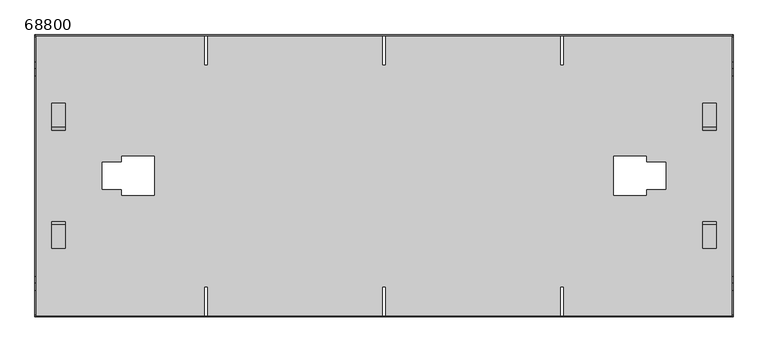
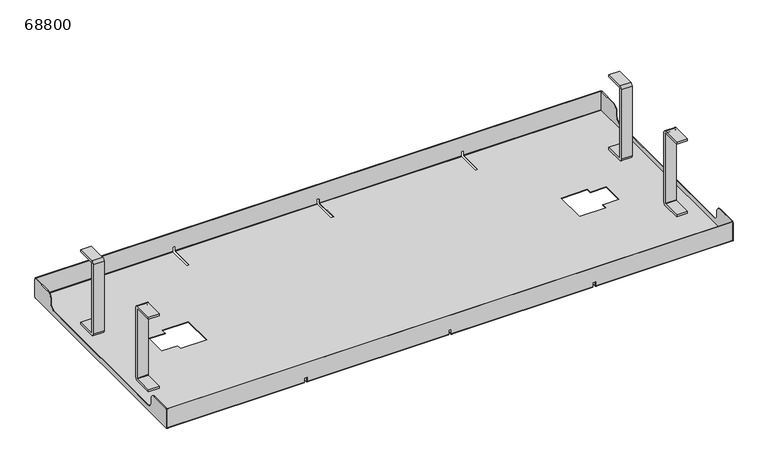
"""IFC4 building model written with IfcOpenShell, lengths in millimetres: furniture geometry, 68800."""

from ifc_helpers import new_model, si_unit, point, frame, frame_2d, origin, place, context, project, spatial, polyline, circle_curve, trimmed, segment, composite_curve, outline, extrude, source, transform, mapped, element, save
from ifc_brep_helpers import plane_surface, cylinder_surface, revolved_surface, advanced_brep


def furniture_68800_a6e082b3(model_context):
    return source(origin(), model_context, "Body", "SolidModel", [
        extrude(outline(composite_curve([segment(polyline([(73.0, 146.0), (108.0, 146.0), (108.0, 142.0), (73.0, 142.0)]), True, "CONTINUOUS"), segment(trimmed(circle_curve(frame_2d((73.0, 141.0)), 1.0), [point((73.0, 142.0))], [point((72.0, 141.0))], True, "CARTESIAN"), True, "CONTINUOUS"), segment(polyline([(72.0, 141.0), (72.0, 6.0)]), True, "CONTINUOUS"), segment(trimmed(circle_curve(frame_2d((73.0, 6.0)), 1.0), [point((72.0, 6.0))], [point((73.0, 5.0))], True, "CARTESIAN"), True, "CONTINUOUS"), segment(polyline([(73.0, 5.0), (108.0, 5.0), (108.0, 1.0), (73.0, 1.0)]), True, "CONTINUOUS"), segment(trimmed(circle_curve(frame_2d((73.0, 6.0)), 5.0), [point((73.0, 1.0))], [point((68.0, 6.0))], False, "CARTESIAN"), True, "CONTINUOUS"), segment(polyline([(68.0, 6.0), (68.0, 141.0)]), True, "CONTINUOUS"), segment(trimmed(circle_curve(frame_2d((73.0, 141.0)), 5.0), [point((68.0, 141.0))], [point((73.0, 146.0))], False, "CARTESIAN"), True, "CONTINUOUS")], self_intersect=False)), frame((995.0, 0.0, 0.0), z_axis=(1.0, 0.0, 0.0), x_axis=(0.0, 1.0, 0.0)), (0.0, 0.0, 1.0), 20.0),
        extrude(outline(composite_curve([segment(polyline([(73.0, 146.0), (108.0, 146.0), (108.0, 142.0), (73.0, 142.0)]), True, "CONTINUOUS"), segment(trimmed(circle_curve(frame_2d((73.0, 141.0)), 1.0), [point((73.0, 142.0))], [point((72.0, 141.0))], True, "CARTESIAN"), True, "CONTINUOUS"), segment(polyline([(72.0, 141.0), (72.0, 6.0)]), True, "CONTINUOUS"), segment(trimmed(circle_curve(frame_2d((73.0, 6.0)), 1.0), [point((72.0, 6.0))], [point((73.0, 5.0))], True, "CARTESIAN"), True, "CONTINUOUS"), segment(polyline([(73.0, 5.0), (108.0, 5.0), (108.0, 1.0), (73.0, 1.0)]), True, "CONTINUOUS"), segment(trimmed(circle_curve(frame_2d((73.0, 6.0)), 5.0), [point((73.0, 1.0))], [point((68.0, 6.0))], False, "CARTESIAN"), True, "CONTINUOUS"), segment(polyline([(68.0, 6.0), (68.0, 141.0)]), True, "CONTINUOUS"), segment(trimmed(circle_curve(frame_2d((73.0, 141.0)), 5.0), [point((68.0, 141.0))], [point((73.0, 146.0))], False, "CARTESIAN"), True, "CONTINUOUS")], self_intersect=False)), frame((25.0, 0.0, 0.0), z_axis=(1.0, 0.0, 0.0), x_axis=(0.0, 1.0, 0.0)), (0.0, 0.0, 1.0), 20.0),
        extrude(outline(composite_curve([segment(trimmed(circle_curve(frame_2d((-73.0, 141.0)), 5.0), [point((-73.0, 146.0))], [point((-68.0, 141.0))], False, "CARTESIAN"), True, "CONTINUOUS"), segment(polyline([(-68.0, 141.0), (-68.0, 6.0)]), True, "CONTINUOUS"), segment(trimmed(circle_curve(frame_2d((-73.0, 6.0)), 5.0), [point((-68.0, 6.0))], [point((-73.0, 1.0))], False, "CARTESIAN"), True, "CONTINUOUS"), segment(polyline([(-73.0, 1.0), (-108.0, 1.0), (-108.0, 5.0), (-73.0, 5.0)]), True, "CONTINUOUS"), segment(trimmed(circle_curve(frame_2d((-73.0, 6.0)), 1.0), [point((-73.0, 5.0))], [point((-72.0, 6.0))], True, "CARTESIAN"), True, "CONTINUOUS"), segment(polyline([(-72.0, 6.0), (-72.0, 141.0)]), True, "CONTINUOUS"), segment(trimmed(circle_curve(frame_2d((-73.0, 141.0)), 1.0), [point((-72.0, 141.0))], [point((-73.0, 142.0))], True, "CARTESIAN"), True, "CONTINUOUS"), segment(polyline([(-73.0, 142.0), (-108.0, 142.0), (-108.0, 146.0), (-73.0, 146.0)]), True, "CONTINUOUS")], self_intersect=False)), frame((995.0, 0.0, 0.0), z_axis=(1.0, 0.0, 0.0), x_axis=(0.0, 1.0, 0.0)), (0.0, 0.0, 1.0), 20.0),
        extrude(outline(composite_curve([segment(trimmed(circle_curve(frame_2d((-73.0, 141.0)), 5.0), [point((-73.0, 146.0))], [point((-68.0, 141.0))], False, "CARTESIAN"), True, "CONTINUOUS"), segment(polyline([(-68.0, 141.0), (-68.0, 6.0)]), True, "CONTINUOUS"), segment(trimmed(circle_curve(frame_2d((-73.0, 6.0)), 5.0), [point((-68.0, 6.0))], [point((-73.0, 1.0))], False, "CARTESIAN"), True, "CONTINUOUS"), segment(polyline([(-73.0, 1.0), (-108.0, 1.0), (-108.0, 5.0), (-73.0, 5.0)]), True, "CONTINUOUS"), segment(trimmed(circle_curve(frame_2d((-73.0, 6.0)), 1.0), [point((-73.0, 5.0))], [point((-72.0, 6.0))], True, "CARTESIAN"), True, "CONTINUOUS"), segment(polyline([(-72.0, 6.0), (-72.0, 141.0)]), True, "CONTINUOUS"), segment(trimmed(circle_curve(frame_2d((-73.0, 141.0)), 1.0), [point((-72.0, 141.0))], [point((-73.0, 142.0))], True, "CARTESIAN"), True, "CONTINUOUS"), segment(polyline([(-73.0, 142.0), (-108.0, 142.0), (-108.0, 146.0), (-73.0, 146.0)]), True, "CONTINUOUS")], self_intersect=False)), frame((25.0, 0.0, 0.0), z_axis=(1.0, 0.0, 0.0), x_axis=(0.0, 1.0, 0.0)), (0.0, 0.0, 1.0), 20.0),
        advanced_brep(
        [(1039.0, -210.0, 2.0), (1039.0, -208.0, 0.0), (1039.0, 208.0, 0.0), (1039.0, 210.0, 2.0), (1039.0, 210.0, 38.0), (1039.0, 209.0, 38.0), (1039.0, 209.0, 2.0), (1039.0, 208.0, 1.0), (1039.0, -208.0, 1.0), (1039.0, -209.0, 2.0), (1039.0, -209.0, 38.0), (1039.0, -210.0, 38.0), (1.0, -210.0, 2.0), (1.0, -210.0, 38.0), (1.0, -209.0, 38.0), (1.0, -209.0, 2.0), (1.0, -208.0, 1.0), (1.0, 208.0, 1.0), (1.0, 209.0, 2.0), (1.0, 209.0, 38.0), (1.0, 210.0, 38.0), (1.0, 210.0, 2.0), (1.0, 208.0, 0.0), (1.0, -208.0, 0.0), (787.5, -208.0, 0.0), (787.5, -165.0, 0.0), (782.5, -165.0, 0.0), (782.5, -208.0, 0.0), (522.5, -208.0, 0.0), (522.5, -165.0, 0.0), (517.5, -165.0, 0.0), (517.5, -208.0, 0.0), (257.5, -208.0, 0.0), (257.5, -165.0, 0.0), (252.5, -165.0, 0.0), (252.5, -208.0, 0.0), (252.5, 208.0, 0.0), (252.5, 165.0, 0.0), (257.5, 165.0, 0.0), (257.5, 208.0, 0.0), (517.5, 208.0, 0.0), (517.5, 165.0, 0.0), (522.5, 165.0, 0.0), (522.5, 208.0, 0.0), (782.5, 208.0, 0.0), (782.5, 165.0, 0.0), (787.5, 165.0, 0.0), (787.5, 208.0, 0.0), (129.5, 20.0, 0.0), (100.0, 20.0, 0.0), (100.0, -20.0, 0.0), (129.5, -20.0, 0.0), (129.5, -29.0, 0.0), (177.5, -29.0, 0.0), (177.5, 29.0, 0.0), (129.5, 29.0, 0.0), (910.5, -20.0, 0.0), (940.0, -20.0, 0.0), (940.0, 20.0, 0.0), (910.5, 20.0, 0.0), (910.5, 29.0, 0.0), (862.5, 29.0, 0.0), (862.5, -29.0, 0.0), (910.5, -29.0, 0.0), (787.5, 210.0, 2.0), (787.5, 210.0, 10.0), (782.5, 210.0, 10.0), (782.5, 210.0, 2.0), (522.5, 210.0, 2.0), (522.5, 210.0, 10.0), (517.5, 210.0, 10.0), (517.5, 210.0, 2.0), (257.5, 210.0, 2.0), (257.5, 210.0, 10.0), (252.5, 210.0, 10.0), (252.5, 210.0, 2.0), (252.5, 209.0, 2.0), (252.5, 209.0, 10.0), (257.5, 209.0, 10.0), (257.5, 209.0, 2.0), (517.5, 209.0, 2.0), (517.5, 209.0, 10.0), (522.5, 209.0, 10.0), (522.5, 209.0, 2.0), (782.5, 209.0, 2.0), (782.5, 209.0, 10.0), (787.5, 209.0, 10.0), (787.5, 209.0, 2.0), (787.5, 208.0, 1.0), (787.5, 165.0, 1.0), (782.5, 165.0, 1.0), (782.5, 208.0, 1.0), (522.5, 208.0, 1.0), (522.5, 165.0, 1.0), (517.5, 165.0, 1.0), (517.5, 208.0, 1.0), (257.5, 208.0, 1.0), (257.5, 165.0, 1.0), (252.5, 165.0, 1.0), (252.5, 208.0, 1.0), (252.5, -208.0, 1.0), (252.5, -165.0, 1.0), (257.5, -165.0, 1.0), (257.5, -208.0, 1.0), (517.5, -208.0, 1.0), (517.5, -165.0, 1.0), (522.5, -165.0, 1.0), (522.5, -208.0, 1.0), (782.5, -208.0, 1.0), (782.5, -165.0, 1.0), (787.5, -165.0, 1.0), (787.5, -208.0, 1.0), (100.0, 20.0, 1.0), (129.5, 20.0, 1.0), (129.5, 29.0, 1.0), (177.5, 29.0, 1.0), (177.5, -29.0, 1.0), (129.5, -29.0, 1.0), (129.5, -20.0, 1.0), (100.0, -20.0, 1.0), (940.0, -20.0, 1.0), (910.5, -20.0, 1.0), (910.5, -29.0, 1.0), (862.5, -29.0, 1.0), (862.5, 29.0, 1.0), (910.5, 29.0, 1.0), (910.5, 20.0, 1.0), (940.0, 20.0, 1.0), (787.5, -209.0, 2.0), (787.5, -209.0, 10.0), (782.5, -209.0, 10.0), (782.5, -209.0, 2.0), (522.5, -209.0, 2.0), (522.5, -209.0, 10.0), (517.5, -209.0, 10.0), (517.5, -209.0, 2.0), (257.5, -209.0, 2.0), (257.5, -209.0, 10.0), (252.5, -209.0, 10.0), (252.5, -209.0, 2.0), (252.5, -210.0, 2.0), (252.5, -210.0, 10.0), (257.5, -210.0, 10.0), (257.5, -210.0, 2.0), (517.5, -210.0, 2.0), (517.5, -210.0, 10.0), (522.5, -210.0, 10.0), (522.5, -210.0, 2.0), (782.5, -210.0, 2.0), (782.5, -210.0, 10.0), (787.5, -210.0, 10.0), (787.5, -210.0, 2.0)],
        [
            (0, 1, circle_curve(frame((1039.0, -208.0, 2.0), z_axis=(1.0, 0.0, 0.0), x_axis=(0.0, 1.0, 0.0)), 2.0)),
            (1, 2),
            (2, 3, circle_curve(frame((1039.0, 208.0, 2.0), z_axis=(1.0, 0.0, 0.0), x_axis=(0.0, 1.0, 0.0)), 2.0)),
            (3, 4),
            (4, 5),
            (5, 6),
            (6, 7, circle_curve(frame((1039.0, 208.0, 2.0), z_axis=(-1.0, 0.0, 0.0), x_axis=(0.0, 1.0, 0.0)), 1.0)),
            (7, 8),
            (8, 9, circle_curve(frame((1039.0, -208.0, 2.0), z_axis=(-1.0, 0.0, 0.0), x_axis=(0.0, 1.0, 0.0)), 1.0)),
            (9, 10),
            (10, 11),
            (11, 0),
            (12, 13),
            (13, 14),
            (14, 15),
            (15, 16, circle_curve(frame((1.0, -208.0, 2.0), z_axis=(1.0, 0.0, 0.0), x_axis=(0.0, 1.0, 0.0)), 1.0)),
            (16, 17),
            (17, 18, circle_curve(frame((1.0, 208.0, 2.0), z_axis=(1.0, 0.0, 0.0), x_axis=(0.0, 1.0, 0.0)), 1.0)),
            (18, 19),
            (19, 20),
            (20, 21),
            (21, 22, circle_curve(frame((1.0, 208.0, 2.0), z_axis=(-1.0, 0.0, 0.0), x_axis=(0.0, 1.0, 0.0)), 2.0)),
            (22, 23),
            (23, 12, circle_curve(frame((1.0, -208.0, 2.0), z_axis=(-1.0, 0.0, 0.0), x_axis=(0.0, 1.0, 0.0)), 2.0)),
            (1, 24),
            (24, 25),
            (25, 26),
            (26, 27),
            (27, 28),
            (28, 29),
            (29, 30),
            (30, 31),
            (31, 32),
            (32, 33),
            (33, 34),
            (34, 35),
            (35, 23),
            (22, 36),
            (36, 37),
            (37, 38),
            (38, 39),
            (39, 40),
            (40, 41),
            (41, 42),
            (42, 43),
            (43, 44),
            (44, 45),
            (45, 46),
            (46, 47),
            (47, 2),
            (48, 49),
            (49, 50),
            (50, 51),
            (51, 52),
            (52, 53),
            (53, 54),
            (54, 55),
            (55, 48),
            (56, 57),
            (57, 58),
            (58, 59),
            (59, 60),
            (60, 61),
            (61, 62),
            (62, 63),
            (63, 56),
            (3, 64),
            (64, 65),
            (65, 66),
            (66, 67),
            (67, 68),
            (68, 69),
            (69, 70),
            (70, 71),
            (71, 72),
            (72, 73),
            (73, 74),
            (74, 75),
            (75, 21),
            (20, 4),
            (19, 5),
            (18, 76),
            (76, 77),
            (77, 78),
            (78, 79),
            (79, 80),
            (80, 81),
            (81, 82),
            (82, 83),
            (83, 84),
            (84, 85),
            (85, 86),
            (86, 87),
            (87, 6),
            (7, 88),
            (88, 89),
            (89, 90),
            (90, 91),
            (91, 92),
            (92, 93),
            (93, 94),
            (94, 95),
            (95, 96),
            (96, 97),
            (97, 98),
            (98, 99),
            (99, 17),
            (16, 100),
            (100, 101),
            (101, 102),
            (102, 103),
            (103, 104),
            (104, 105),
            (105, 106),
            (106, 107),
            (107, 108),
            (108, 109),
            (109, 110),
            (110, 111),
            (111, 8),
            (112, 113),
            (113, 114),
            (114, 115),
            (115, 116),
            (116, 117),
            (117, 118),
            (118, 119),
            (119, 112),
            (120, 121),
            (121, 122),
            (122, 123),
            (123, 124),
            (124, 125),
            (125, 126),
            (126, 127),
            (127, 120),
            (9, 128),
            (128, 129),
            (129, 130),
            (130, 131),
            (131, 132),
            (132, 133),
            (133, 134),
            (134, 135),
            (135, 136),
            (136, 137),
            (137, 138),
            (138, 139),
            (139, 15),
            (14, 10),
            (13, 11),
            (12, 140),
            (140, 141),
            (141, 142),
            (142, 143),
            (143, 144),
            (144, 145),
            (145, 146),
            (146, 147),
            (147, 148),
            (148, 149),
            (149, 150),
            (150, 151),
            (151, 0),
            (151, 24, circle_curve(frame((787.5, -208.0, 2.0), z_axis=(1.0, 0.0, 0.0), x_axis=(0.0, 1.0, 0.0)), 2.0)),
            (35, 140, circle_curve(frame((252.5, -208.0, 2.0), z_axis=(-1.0, 0.0, 0.0), x_axis=(0.0, 1.0, 0.0)), 2.0)),
            (143, 32, circle_curve(frame((257.5, -208.0, 2.0), z_axis=(1.0, 0.0, 0.0), x_axis=(0.0, 1.0, 0.0)), 2.0)),
            (31, 144, circle_curve(frame((517.5, -208.0, 2.0), z_axis=(-1.0, 0.0, 0.0), x_axis=(0.0, 1.0, 0.0)), 2.0)),
            (27, 148, circle_curve(frame((782.5, -208.0, 2.0), z_axis=(-1.0, 0.0, 0.0), x_axis=(0.0, 1.0, 0.0)), 2.0)),
            (147, 28, circle_curve(frame((522.5, -208.0, 2.0), z_axis=(1.0, 0.0, 0.0), x_axis=(0.0, 1.0, 0.0)), 2.0)),
            (47, 64, circle_curve(frame((787.5, 208.0, 2.0), z_axis=(1.0, 0.0, 0.0), x_axis=(0.0, 1.0, 0.0)), 2.0)),
            (75, 36, circle_curve(frame((252.5, 208.0, 2.0), z_axis=(-1.0, 0.0, 0.0), x_axis=(0.0, 1.0, 0.0)), 2.0)),
            (39, 72, circle_curve(frame((257.5, 208.0, 2.0), z_axis=(1.0, 0.0, 0.0), x_axis=(0.0, 1.0, 0.0)), 2.0)),
            (71, 40, circle_curve(frame((517.5, 208.0, 2.0), z_axis=(-1.0, 0.0, 0.0), x_axis=(0.0, 1.0, 0.0)), 2.0)),
            (67, 44, circle_curve(frame((782.5, 208.0, 2.0), z_axis=(-1.0, 0.0, 0.0), x_axis=(0.0, 1.0, 0.0)), 2.0)),
            (43, 68, circle_curve(frame((522.5, 208.0, 2.0), z_axis=(1.0, 0.0, 0.0), x_axis=(0.0, 1.0, 0.0)), 2.0)),
            (87, 88, circle_curve(frame((787.5, 208.0, 2.0), z_axis=(-1.0, 0.0, 0.0), x_axis=(0.0, 1.0, 0.0)), 1.0)),
            (99, 76, circle_curve(frame((252.5, 208.0, 2.0), z_axis=(1.0, 0.0, 0.0), x_axis=(0.0, 1.0, 0.0)), 1.0)),
            (79, 96, circle_curve(frame((257.5, 208.0, 2.0), z_axis=(-1.0, 0.0, 0.0), x_axis=(0.0, 1.0, 0.0)), 1.0)),
            (95, 80, circle_curve(frame((517.5, 208.0, 2.0), z_axis=(1.0, 0.0, 0.0), x_axis=(0.0, 1.0, 0.0)), 1.0)),
            (91, 84, circle_curve(frame((782.5, 208.0, 2.0), z_axis=(1.0, 0.0, 0.0), x_axis=(0.0, 1.0, 0.0)), 1.0)),
            (83, 92, circle_curve(frame((522.5, 208.0, 2.0), z_axis=(-1.0, 0.0, 0.0), x_axis=(0.0, 1.0, 0.0)), 1.0)),
            (111, 128, circle_curve(frame((787.5, -208.0, 2.0), z_axis=(-1.0, 0.0, 0.0), x_axis=(0.0, 1.0, 0.0)), 1.0)),
            (139, 100, circle_curve(frame((252.5, -208.0, 2.0), z_axis=(1.0, 0.0, 0.0), x_axis=(0.0, 1.0, 0.0)), 1.0)),
            (103, 136, circle_curve(frame((257.5, -208.0, 2.0), z_axis=(-1.0, 0.0, 0.0), x_axis=(0.0, 1.0, 0.0)), 1.0)),
            (135, 104, circle_curve(frame((517.5, -208.0, 2.0), z_axis=(1.0, 0.0, 0.0), x_axis=(0.0, 1.0, 0.0)), 1.0)),
            (131, 108, circle_curve(frame((782.5, -208.0, 2.0), z_axis=(1.0, 0.0, 0.0), x_axis=(0.0, 1.0, 0.0)), 1.0)),
            (107, 132, circle_curve(frame((522.5, -208.0, 2.0), z_axis=(-1.0, 0.0, 0.0), x_axis=(0.0, 1.0, 0.0)), 1.0)),
            (48, 113),
            (112, 49),
            (119, 50),
            (118, 51),
            (117, 52),
            (116, 53),
            (115, 54),
            (114, 55),
            (56, 121),
            (120, 57),
            (127, 58),
            (126, 59),
            (125, 60),
            (124, 61),
            (123, 62),
            (122, 63),
            (73, 78),
            (77, 74),
            (98, 37),
            (97, 38),
            (65, 86),
            (85, 66),
            (90, 45),
            (89, 46),
            (69, 82),
            (81, 70),
            (94, 41),
            (93, 42),
            (137, 142),
            (141, 138),
            (33, 102),
            (101, 34),
            (129, 150),
            (149, 130),
            (25, 110),
            (109, 26),
            (133, 146),
            (145, 134),
            (29, 106),
            (105, 30),
        ],
        [
            plane_surface(frame((1039.0, -206.0, 2.0), z_axis=(1.0, 0.0, 0.0), x_axis=(0.0, 0.0, 1.0))),
            plane_surface(frame((1.0, -206.0, 2.0), z_axis=(-1.0, 0.0, 0.0), x_axis=(0.0, 0.0, -1.0))),
            plane_surface(frame((1039.0, -208.0, 0.0), z_axis=(0.0, 0.0, -1.0), x_axis=(-1.0, 0.0, 0.0))),
            plane_surface(frame((1039.0, 210.0, 2.0), z_axis=(0.0, 1.0, 0.0), x_axis=(-1.0, 0.0, 0.0))),
            plane_surface(frame((1039.0, 210.0, 38.0), z_axis=(0.0, 0.0, 1.0), x_axis=(-1.0, 0.0, 0.0))),
            plane_surface(frame((1039.0, 209.0, 38.0), z_axis=(0.0, -1.0, 0.0), x_axis=(-1.0, 0.0, 0.0))),
            plane_surface(frame((1039.0, 208.0, 1.0), z_axis=(0.0, 0.0, 1.0), x_axis=(-1.0, 0.0, 0.0))),
            plane_surface(frame((1039.0, -209.0, 2.0), z_axis=(0.0, 1.0, 0.0), x_axis=(-1.0, 0.0, 0.0))),
            plane_surface(frame((1039.0, -209.0, 38.0), z_axis=(0.0, 0.0, 1.0), x_axis=(-1.0, 0.0, 0.0))),
            plane_surface(frame((1039.0, -210.0, 38.0), z_axis=(0.0, -1.0, 0.0), x_axis=(-1.0, 0.0, 0.0))),
            cylinder_surface(frame((1.0, -208.0, 2.0), z_axis=(1.0, 0.0, 0.0), x_axis=(0.0, 1.0, 0.0)), 2.0),
            cylinder_surface(frame((1.0, 208.0, 2.0), z_axis=(1.0, 0.0, 0.0), x_axis=(0.0, 1.0, 0.0)), 2.0),
            revolved_surface(polyline([(787.5, 209.0, 2.0), (1039.0, 209.0, 2.0)]), (1.0, 208.0, 2.0), (-1.0, 0.0, 0.0)),
            revolved_surface(polyline([(1.0, 209.0, 2.0), (252.5, 209.0, 2.0)]), (1.0, 208.0, 2.0), (-1.0, 0.0, 0.0)),
            revolved_surface(polyline([(257.5, 209.0, 2.0), (517.5, 209.0, 2.0)]), (1.0, 208.0, 2.0), (-1.0, 0.0, 0.0)),
            revolved_surface(polyline([(522.5, 209.0, 2.0), (782.5, 209.0, 2.0)]), (1.0, 208.0, 2.0), (-1.0, 0.0, 0.0)),
            revolved_surface(polyline([(787.5, -207.0, 2.0), (1039.0, -207.0, 2.0)]), (1.0, -208.0, 2.0), (-1.0, 0.0, 0.0)),
            revolved_surface(polyline([(1.0, -207.0, 2.0), (252.5, -207.0, 2.0)]), (1.0, -208.0, 2.0), (-1.0, 0.0, 0.0)),
            revolved_surface(polyline([(257.5, -207.0, 2.0), (517.5, -207.0, 2.0)]), (1.0, -208.0, 2.0), (-1.0, 0.0, 0.0)),
            revolved_surface(polyline([(522.5, -207.0, 2.0), (782.5, -207.0, 2.0)]), (1.0, -208.0, 2.0), (-1.0, 0.0, 0.0)),
            plane_surface(frame((129.5, 20.0, 10.0), z_axis=(0.0, -1.0, 0.0), x_axis=(0.0, 0.0, -1.0))),
            plane_surface(frame((100.0, 20.0, 10.0), z_axis=(1.0, 0.0, 0.0), x_axis=(0.0, 0.0, -1.0))),
            plane_surface(frame((100.0, -20.0, 10.0), z_axis=(0.0, 1.0, 0.0), x_axis=(0.0, 0.0, -1.0))),
            plane_surface(frame((129.5, -20.0, 10.0), z_axis=(1.0, 0.0, 0.0), x_axis=(0.0, 0.0, -1.0))),
            plane_surface(frame((129.5, -29.0, 10.0), z_axis=(0.0, 1.0, 0.0), x_axis=(0.0, 0.0, -1.0))),
            plane_surface(frame((177.5, -29.0, 10.0), z_axis=(-1.0, 0.0, 0.0), x_axis=(0.0, 0.0, -1.0))),
            plane_surface(frame((177.5, 29.0, 10.0), z_axis=(0.0, -1.0, 0.0), x_axis=(0.0, 0.0, -1.0))),
            plane_surface(frame((129.5, 29.0, 10.0), z_axis=(1.0, 0.0, 0.0), x_axis=(0.0, 0.0, -1.0))),
            plane_surface(frame((910.5, -20.0, 10.0), z_axis=(0.0, 1.0, 0.0), x_axis=(0.0, 0.0, -1.0))),
            plane_surface(frame((940.0, -20.0, 10.0), z_axis=(-1.0, 0.0, 0.0), x_axis=(0.0, 0.0, -1.0))),
            plane_surface(frame((940.0, 20.0, 10.0), z_axis=(0.0, -1.0, 0.0), x_axis=(0.0, 0.0, -1.0))),
            plane_surface(frame((910.5, 20.0, 10.0), z_axis=(-1.0, 0.0, 0.0), x_axis=(0.0, 0.0, -1.0))),
            plane_surface(frame((910.5, 29.0, 10.0), z_axis=(0.0, -1.0, 0.0), x_axis=(0.0, 0.0, -1.0))),
            plane_surface(frame((862.5, 29.0, 10.0), z_axis=(1.0, 0.0, 0.0), x_axis=(0.0, 0.0, -1.0))),
            plane_surface(frame((862.5, -29.0, 10.0), z_axis=(0.0, 1.0, 0.0), x_axis=(0.0, 0.0, -1.0))),
            plane_surface(frame((910.5, -29.0, 10.0), z_axis=(-1.0, 0.0, 0.0), x_axis=(0.0, 0.0, -1.0))),
            plane_surface(frame((197.5, 210.0, 10.0), z_axis=(0.0, 0.0, -1.0), x_axis=(-1.0, 0.0, 0.0))),
            plane_surface(frame((252.5, 210.0, 10.0), z_axis=(1.0, 0.0, 0.0), x_axis=(0.0, 0.0, -1.0))),
            plane_surface(frame((252.5, 165.0, 10.0), z_axis=(0.0, 1.0, 0.0), x_axis=(0.0, 0.0, -1.0))),
            plane_surface(frame((257.5, 165.0, 10.0), z_axis=(-1.0, 0.0, 0.0), x_axis=(0.0, 0.0, -1.0))),
            plane_surface(frame((727.5, 210.0, 10.0), z_axis=(0.0, 0.0, -1.0), x_axis=(-1.0, 0.0, 0.0))),
            plane_surface(frame((782.5, 210.0, 10.0), z_axis=(1.0, 0.0, 0.0), x_axis=(0.0, 0.0, -1.0))),
            plane_surface(frame((782.5, 165.0, 10.0), z_axis=(0.0, 1.0, 0.0), x_axis=(0.0, 0.0, -1.0))),
            plane_surface(frame((787.5, 165.0, 10.0), z_axis=(-1.0, 0.0, 0.0), x_axis=(0.0, 0.0, -1.0))),
            plane_surface(frame((462.5, 210.0, 10.0), z_axis=(0.0, 0.0, -1.0), x_axis=(-1.0, 0.0, 0.0))),
            plane_surface(frame((517.5, 210.0, 10.0), z_axis=(1.0, 0.0, 0.0), x_axis=(0.0, 0.0, -1.0))),
            plane_surface(frame((517.5, 165.0, 10.0), z_axis=(0.0, 1.0, 0.0), x_axis=(0.0, 0.0, -1.0))),
            plane_surface(frame((522.5, 165.0, 10.0), z_axis=(-1.0, 0.0, 0.0), x_axis=(0.0, 0.0, -1.0))),
            plane_surface(frame((252.5, -165.0, 10.0), z_axis=(0.0, 0.0, -1.0), x_axis=(-1.0, 0.0, 0.0))),
            plane_surface(frame((257.5, -165.0, 10.0), z_axis=(0.0, -1.0, 0.0), x_axis=(0.0, 0.0, -1.0))),
            plane_surface(frame((252.5, -165.0, 10.0), z_axis=(1.0, 0.0, 0.0), x_axis=(0.0, 0.0, -1.0))),
            plane_surface(frame((257.5, -210.0, 10.0), z_axis=(-1.0, 0.0, 0.0), x_axis=(0.0, 0.0, -1.0))),
            plane_surface(frame((782.5, -165.0, 10.0), z_axis=(0.0, 0.0, -1.0), x_axis=(-1.0, 0.0, 0.0))),
            plane_surface(frame((787.5, -165.0, 10.0), z_axis=(0.0, -1.0, 0.0), x_axis=(0.0, 0.0, -1.0))),
            plane_surface(frame((782.5, -165.0, 10.0), z_axis=(1.0, 0.0, 0.0), x_axis=(0.0, 0.0, -1.0))),
            plane_surface(frame((787.5, -210.0, 10.0), z_axis=(-1.0, 0.0, 0.0), x_axis=(0.0, 0.0, -1.0))),
            plane_surface(frame((517.5, -165.0, 10.0), z_axis=(0.0, 0.0, -1.0), x_axis=(-1.0, 0.0, 0.0))),
            plane_surface(frame((522.5, -165.0, 10.0), z_axis=(0.0, -1.0, 0.0), x_axis=(0.0, 0.0, -1.0))),
            plane_surface(frame((517.5, -165.0, 10.0), z_axis=(1.0, 0.0, 0.0), x_axis=(0.0, 0.0, -1.0))),
            plane_surface(frame((522.5, -210.0, 10.0), z_axis=(-1.0, 0.0, 0.0), x_axis=(0.0, 0.0, -1.0))),
        ],
        [
            (0, [[1, 2, 3, 4, 5, 6, 7, 8, 9, 10, 11, 12]]),
            (1, [[13, 14, 15, 16, 17, 18, 19, 20, 21, 22, 23, 24]]),
            (2, [[-2, 25, 26, 27, 28, 29, 30, 31, 32, 33, 34, 35, 36, 37, -23, 38, 39, 40, 41, 42, 43, 44, 45, 46, 47, 48, 49, 50], [51, 52, 53, 54, 55, 56, 57, 58], [59, 60, 61, 62, 63, 64, 65, 66]]),
            (3, [[-4, 67, 68, 69, 70, 71, 72, 73, 74, 75, 76, 77, 78, 79, -21, 80]]),
            (4, [[-5, -80, -20, 81]]),
            (5, [[-6, -81, -19, 82, 83, 84, 85, 86, 87, 88, 89, 90, 91, 92, 93, 94]]),
            (6, [[-8, 95, 96, 97, 98, 99, 100, 101, 102, 103, 104, 105, 106, 107, -17, 108, 109, 110, 111, 112, 113, 114, 115, 116, 117, 118, 119, 120], [121, 122, 123, 124, 125, 126, 127, 128], [129, 130, 131, 132, 133, 134, 135, 136]]),
            (7, [[-10, 137, 138, 139, 140, 141, 142, 143, 144, 145, 146, 147, 148, 149, -15, 150]]),
            (8, [[-11, -150, -14, 151]]),
            (9, [[-12, -151, -13, 152, 153, 154, 155, 156, 157, 158, 159, 160, 161, 162, 163, 164]]),
            (10, [[-1, -164, 165, -25]]),
            (10, [[-24, -37, 166, -152]]),
            (10, [[167, -33, 168, -156]]),
            (10, [[169, -160, 170, -29]]),
            (11, [[-3, -50, 171, -67]]),
            (11, [[-22, -79, 172, -38]]),
            (11, [[173, -75, 174, -42]]),
            (11, [[175, -46, 176, -71]]),
            (12, [[-7, -94, 177, -95]]),
            (13, [[-18, -107, 178, -82]]),
            (14, [[179, -103, 180, -86]]),
            (15, [[181, -90, 182, -99]]),
            (16, [[-9, -120, 183, -137]]),
            (17, [[-16, -149, 184, -108]]),
            (18, [[185, -145, 186, -112]]),
            (19, [[187, -116, 188, -141]]),
            (20, [[189, -121, 190, -51]]),
            (21, [[-190, -128, 191, -52]]),
            (22, [[-191, -127, 192, -53]]),
            (23, [[-192, -126, 193, -54]]),
            (24, [[-193, -125, 194, -55]]),
            (25, [[-194, -124, 195, -56]]),
            (26, [[-195, -123, 196, -57]]),
            (27, [[-189, -58, -196, -122]]),
            (28, [[197, -129, 198, -59]]),
            (29, [[-198, -136, 199, -60]]),
            (30, [[-199, -135, 200, -61]]),
            (31, [[-200, -134, 201, -62]]),
            (32, [[-201, -133, 202, -63]]),
            (33, [[-202, -132, 203, -64]]),
            (34, [[-203, -131, 204, -65]]),
            (35, [[-197, -66, -204, -130]]),
            (36, [[205, -84, 206, -77]]),
            (37, [[-206, -83, -178, -106, 207, -39, -172, -78]]),
            (38, [[-207, -105, 208, -40]]),
            (39, [[-205, -76, -173, -41, -208, -104, -179, -85]]),
            (40, [[209, -92, 210, -69]]),
            (41, [[-210, -91, -181, -98, 211, -47, -175, -70]]),
            (42, [[-211, -97, 212, -48]]),
            (43, [[-209, -68, -171, -49, -212, -96, -177, -93]]),
            (44, [[213, -88, 214, -73]]),
            (45, [[-214, -87, -180, -102, 215, -43, -174, -74]]),
            (46, [[-215, -101, 216, -44]]),
            (47, [[-213, -72, -176, -45, -216, -100, -182, -89]]),
            (48, [[217, -154, 218, -147]]),
            (49, [[219, -110, 220, -35]]),
            (50, [[-218, -153, -166, -36, -220, -109, -184, -148]]),
            (51, [[-217, -146, -185, -111, -219, -34, -167, -155]]),
            (52, [[221, -162, 222, -139]]),
            (53, [[223, -118, 224, -27]]),
            (54, [[-222, -161, -169, -28, -224, -117, -187, -140]]),
            (55, [[-221, -138, -183, -119, -223, -26, -165, -163]]),
            (56, [[225, -158, 226, -143]]),
            (57, [[227, -114, 228, -31]]),
            (58, [[-226, -157, -168, -32, -228, -113, -186, -144]]),
            (59, [[-225, -142, -188, -115, -227, -30, -170, -159]]),
        ],
    ),
        extrude(outline(composite_curve([segment(trimmed(circle_curve(frame_2d((208.0, 2.0)), 2.0), [point((210.0, 2.0))], [point((208.0, 0.0))], False, "CARTESIAN"), True, "CONTINUOUS"), segment(polyline([(208.0, 0.0), (-208.0, 0.0)]), True, "CONTINUOUS"), segment(trimmed(circle_curve(frame_2d((-208.0, 2.0)), 2.0), [point((-208.0, 0.0))], [point((-210.0, 2.0))], False, "CARTESIAN"), True, "CONTINUOUS"), segment(polyline([(-210.0, 2.0), (-210.0, 35.0)]), True, "CONTINUOUS"), segment(trimmed(circle_curve(frame_2d((-207.0, 35.0)), 3.0), [point((-210.0, 35.0))], [point((-207.0, 38.0))], False, "CARTESIAN"), True, "CONTINUOUS"), segment(polyline([(-207.0, 38.0), (-170.0, 38.0)]), True, "CONTINUOUS"), segment(trimmed(circle_curve(frame_2d((-170.0, 28.0)), 10.0), [point((-170.0, 38.0))], [point((-160.0, 28.0))], False, "CARTESIAN"), True, "CONTINUOUS"), segment(polyline([(-160.0, 28.0), (-160.0, 20.5)]), True, "CONTINUOUS"), segment(trimmed(circle_curve(frame_2d((-149.5, 20.5)), 10.5), [point((-160.0, 20.5))], [point((-149.5, 10.0))], True, "CARTESIAN"), True, "CONTINUOUS"), segment(polyline([(-149.5, 10.0), (149.5, 10.0)]), True, "CONTINUOUS"), segment(trimmed(circle_curve(frame_2d((149.5, 20.5)), 10.5), [point((149.5, 10.0))], [point((160.0, 20.5))], True, "CARTESIAN"), True, "CONTINUOUS"), segment(polyline([(160.0, 20.5), (160.0, 28.0)]), True, "CONTINUOUS"), segment(trimmed(circle_curve(frame_2d((170.0, 28.0)), 10.0), [point((160.0, 28.0))], [point((170.0, 38.0))], False, "CARTESIAN"), True, "CONTINUOUS"), segment(polyline([(170.0, 38.0), (207.0, 38.0)]), True, "CONTINUOUS"), segment(trimmed(circle_curve(frame_2d((207.0, 35.0)), 3.0), [point((207.0, 38.0))], [point((210.0, 35.0))], False, "CARTESIAN"), True, "CONTINUOUS"), segment(polyline([(210.0, 35.0), (210.0, 2.0)]), True, "CONTINUOUS")], self_intersect=False)), frame((0.0, 0.0, 0.0), z_axis=(1.0, 0.0, 0.0), x_axis=(0.0, 1.0, 0.0)), (0.0, 0.0, 1.0), 1.0),
        extrude(outline(composite_curve([segment(trimmed(circle_curve(frame_2d((208.0, 2.0)), 2.0), [point((210.0, 2.0))], [point((208.0, 0.0))], False, "CARTESIAN"), True, "CONTINUOUS"), segment(polyline([(208.0, 0.0), (-208.0, 0.0)]), True, "CONTINUOUS"), segment(trimmed(circle_curve(frame_2d((-208.0, 2.0)), 2.0), [point((-208.0, 0.0))], [point((-210.0, 2.0))], False, "CARTESIAN"), True, "CONTINUOUS"), segment(polyline([(-210.0, 2.0), (-210.0, 35.0)]), True, "CONTINUOUS"), segment(trimmed(circle_curve(frame_2d((-207.0, 35.0)), 3.0), [point((-210.0, 35.0))], [point((-207.0, 38.0))], False, "CARTESIAN"), True, "CONTINUOUS"), segment(polyline([(-207.0, 38.0), (-170.0, 38.0)]), True, "CONTINUOUS"), segment(trimmed(circle_curve(frame_2d((-170.0, 28.0)), 10.0), [point((-170.0, 38.0))], [point((-160.0, 28.0))], False, "CARTESIAN"), True, "CONTINUOUS"), segment(polyline([(-160.0, 28.0), (-160.0, 20.5)]), True, "CONTINUOUS"), segment(trimmed(circle_curve(frame_2d((-149.5, 20.5)), 10.5), [point((-160.0, 20.5))], [point((-149.5, 10.0))], True, "CARTESIAN"), True, "CONTINUOUS"), segment(polyline([(-149.5, 10.0), (149.5, 10.0)]), True, "CONTINUOUS"), segment(trimmed(circle_curve(frame_2d((149.5, 20.5)), 10.5), [point((149.5, 10.0))], [point((160.0, 20.5))], True, "CARTESIAN"), True, "CONTINUOUS"), segment(polyline([(160.0, 20.5), (160.0, 28.0)]), True, "CONTINUOUS"), segment(trimmed(circle_curve(frame_2d((170.0, 28.0)), 10.0), [point((160.0, 28.0))], [point((170.0, 38.0))], False, "CARTESIAN"), True, "CONTINUOUS"), segment(polyline([(170.0, 38.0), (207.0, 38.0)]), True, "CONTINUOUS"), segment(trimmed(circle_curve(frame_2d((207.0, 35.0)), 3.0), [point((207.0, 38.0))], [point((210.0, 35.0))], False, "CARTESIAN"), True, "CONTINUOUS"), segment(polyline([(210.0, 35.0), (210.0, 2.0)]), True, "CONTINUOUS")], self_intersect=False)), frame((1039.0, 0.0, 0.0), z_axis=(1.0, 0.0, 0.0), x_axis=(0.0, 1.0, 0.0)), (0.0, 0.0, 1.0), 1.0),
    ])


if __name__ == "__main__":
    model = new_model("IFC4")
    model_context = context("Model", 3, world=origin())
    ifc_project = project(units=[si_unit("LENGTHUNIT", "METRE", prefix="MILLI")], contexts=[model_context])
    site = spatial("IfcSite", under=ifc_project)
    building = spatial("IfcBuilding", under=site)
    placement = place(None, origin())
    furniture_68800_shape = furniture_68800_a6e082b3(model_context)
    element("IfcFurniture", 1, ObjectType="68800", at=placement, inside=building, context=model_context, shape_type="MappedRepresentation", body=[
        mapped(furniture_68800_shape, transform((0.0, 0.0, 0.0), x_axis=(1.0, 0.0, 0.0), y_axis=(0.0, 1.0, 0.0), z_axis=(0.0, 0.0, 1.0))),
    ])
    save(model, "model.ifc")
